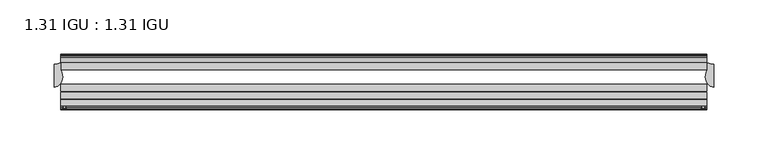
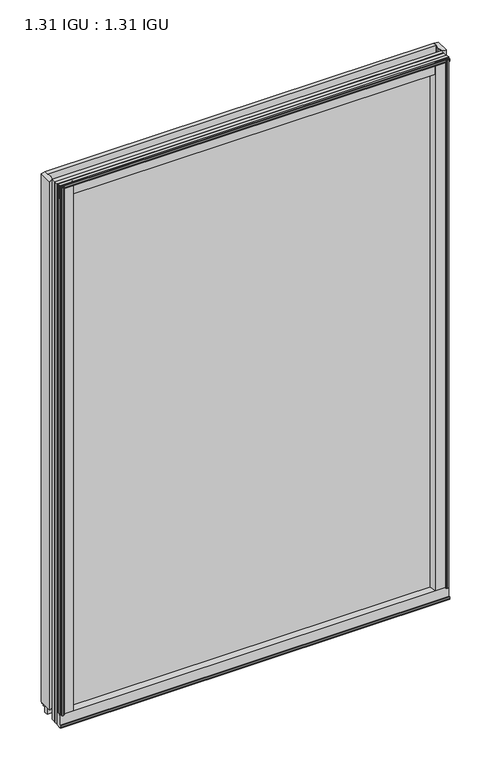
"""IFC4 building model written with IfcOpenShell, lengths in millimetres: plate geometry, 1.31 IGU : 1.31 IGU."""

from ifc_helpers import new_model, si_unit, point, frame, frame_2d, origin, origin_with_axes, place, context, project, spatial, polyline, circle_curve, ellipse_curve, trimmed, segment, composite_curve, outline, extrude, source, transform, mapped, element, save
from ifc_brep_helpers import plane_surface, cylinder_surface, revolved_surface, extruded_surface, advanced_brep


def plate_1_31_igu_1_31_igu_e0ad85ca(model_context):
    return source(origin(), model_context, "Body", "SolidModel", [
        extrude(outline(composite_curve([segment(polyline([(293.6995906, -57.6333938), (277.5148437, -57.6333938)]), True, "CONTINUOUS"), segment(trimmed(circle_curve(frame_2d((270.2201146, -57.6547678)), 7.2947605), [point((277.5148437, -57.6333938))], [point((273.7724551, -51.2833938))], True, "CARTESIAN"), True, "CONTINUOUS"), segment(polyline([(273.7724551, -51.2833938), (296.642876, -51.2833938)]), True, "CONTINUOUS"), segment(trimmed(circle_curve(frame_2d((296.642876, -52.0707938)), 0.7874), [point((296.642876, -51.2833938))], [point((297.4244069, -51.9748338))], False, "CARTESIAN"), True, "CONTINUOUS"), segment(polyline([(297.4244069, -51.9748338), (298.1191906, -57.6333938), (296.1887906, -57.6333938), (295.7315906, -59.624458), (296.7329525, -59.3561439), (296.9761906, -60.263921), (294.9441906, -60.8083938), (292.9121906, -60.263921), (293.1554288, -59.3561439), (294.1567906, -59.624458), (293.6995906, -57.6333938)]), True, "CONTINUOUS")], self_intersect=False)), origin_with_axes(), (0.0, 0.0, 1.0), 857.25),
        extrude(outline(composite_curve([segment(polyline([(-277.8125, -57.6333937), (-293.9972469, -57.6333937), (-294.4544469, -59.624458), (-293.453085, -59.3561439), (-293.2098469, -60.263921), (-295.2418469, -60.8083937), (-297.2738469, -60.263921), (-297.0306088, -59.3561439), (-296.0292469, -59.624458), (-296.4864469, -57.6333937), (-298.4168469, -57.6333937), (-297.7220631, -51.9748338)]), True, "CONTINUOUS"), segment(trimmed(circle_curve(frame_2d((-296.9405323, -52.0707937)), 0.7874), [point((-297.7220631, -51.9748338))], [point((-296.9405323, -51.2833937))], False, "CARTESIAN"), True, "CONTINUOUS"), segment(polyline([(-296.9405323, -51.2833937), (-274.0701114, -51.2833937)]), True, "CONTINUOUS"), segment(trimmed(circle_curve(frame_2d((-270.5177708, -57.6547678)), 7.2947605), [point((-274.0701114, -51.2833937))], [point((-277.8125, -57.6333937))], True, "CARTESIAN"), True, "CONTINUOUS")], self_intersect=False)), origin_with_axes(), (0.0, 0.0, 1.0), 857.25),
        extrude(outline(polyline([(-9.7543937, -6.8579998), (-10.4009552, -9.2709998), (-11.2596632, -9.0409097), (-10.8839895, -7.6388763), (-13.1833937, -8.3819998), (-13.1833937, -11.7850089), (-17.9585937, -10.1533914), (-17.9585937, 0.6595133), (-13.1833937, -0.5079998), (-13.1833937, -5.4609998), (-10.8839895, -6.0771233), (-11.2596632, -4.6750899), (-10.4009552, -4.4449998), (-9.7543937, -6.8579998)])), frame((-298.45, 0.0, 0.0), z_axis=(1.0, 0.0, 0.0), x_axis=(0.0, 1.0, 0.0)), (0.0, 0.0, 1.0), 596.6023438),
        extrude(outline(composite_curve([segment(polyline([(-51.9748338, -19.930016), (-57.6333937, -20.6247998), (-57.6333937, -18.6943998), (-59.624458, -18.2371998), (-59.3561439, -19.2385617), (-60.263921, -19.4817998), (-60.8083937, -17.4497998), (-60.263921, -15.4177998), (-59.3561439, -15.6610379), (-59.624458, -16.6623998), (-57.6333937, -16.2051998), (-57.6333937, 0.0127002)]), True, "CONTINUOUS"), segment(trimmed(circle_curve(frame_2d((-58.1588233, 7.9620141)), 7.9666598), [point((-57.6333937, 0.0127002))], [point((-51.2833937, 3.9375717))], True, "CARTESIAN"), True, "CONTINUOUS"), segment(polyline([(-51.2833937, 3.9375717), (-51.2833937, -19.1484852)]), True, "CONTINUOUS"), segment(trimmed(circle_curve(frame_2d((-52.0707937, -19.1484852)), 0.7874), [point((-51.2833937, -19.1484852))], [point((-51.9748338, -19.930016))], False, "CARTESIAN"), True, "CONTINUOUS")], self_intersect=False)), frame((-298.45, 0.0, 0.0), z_axis=(1.0, 0.0, 0.0), x_axis=(0.0, 1.0, 0.0)), (0.0, 0.0, 1.0), 596.6023438),
        extrude(outline(polyline([(-17.9585937, 848.3533914), (-13.1833937, 849.9850089), (-13.1833937, 846.5819998), (-10.8839895, 845.8388763), (-11.2596632, 847.2409097), (-10.4009552, 847.4709998), (-9.7543937, 845.0579998), (-10.4009552, 842.6449998), (-11.2596632, 842.8750899), (-10.8839895, 844.2771233), (-13.1833937, 843.6609998), (-13.1833937, 838.7079998), (-17.9585937, 837.5404867), (-17.9585937, 848.3533914)])), frame((-298.45, 0.0, 0.0), z_axis=(1.0, 0.0, 0.0), x_axis=(0.0, 1.0, 0.0)), (0.0, 0.0, 1.0), 596.6023438),
        extrude(outline(composite_curve([segment(trimmed(circle_curve(frame_2d((-52.0707937, 857.3484852)), 0.7874), [point((-51.9748338, 858.130016))], [point((-51.2833937, 857.3484852))], False, "CARTESIAN"), True, "CONTINUOUS"), segment(polyline([(-51.2833937, 857.3484852), (-51.2833937, 834.2624283)]), True, "CONTINUOUS"), segment(trimmed(circle_curve(frame_2d((-58.1588233, 830.2379859)), 7.9666598), [point((-51.2833937, 834.2624283))], [point((-57.6333937, 838.1872998))], True, "CARTESIAN"), True, "CONTINUOUS"), segment(polyline([(-57.6333937, 838.1872998), (-57.6333937, 854.4051998), (-59.624458, 854.8623998), (-59.3561439, 853.8610379), (-60.263921, 853.6177998), (-60.8083937, 855.6497998), (-60.263921, 857.6817998), (-59.3561439, 857.4385617), (-59.624458, 856.4371998), (-57.6333937, 856.8943998), (-57.6333937, 858.8247998), (-51.9748338, 858.130016)]), True, "CONTINUOUS")], self_intersect=False)), frame((-298.45, 0.0, 0.0), z_axis=(1.0, 0.0, 0.0), x_axis=(0.0, 1.0, 0.0)), (0.0, 0.0, 1.0), 596.6023438),
        advanced_brep(
        [(-298.4372998, -24.3085938, 857.25), (-298.4372998, -17.9585937, 857.25), (-304.7872998, -18.9011397, 857.25), (-304.7872998, -40.2563586, 857.25), (-296.9784173, -31.0522937, 857.25), (-298.4372998, -24.3085938, 0.0), (-296.9784173, -31.0522937, 0.0), (-304.7872998, -40.2563586, 0.0), (-304.7872998, -18.9011397, 0.0), (-298.4372998, -17.9585937, 0.0)],
        [
            (0, 1),
            (1, 2, circle_curve(frame((-304.7872998, 2.9603377, 857.25), z_axis=(0.0, 0.0, -1.0), x_axis=(0.0, 1.0, 0.0)), 21.8614773)),
            (2, 3),
            (3, 4, ellipse_curve(frame((-304.7872998, -31.0522937, 857.25), z_axis=(0.0, 0.0, 1.0), x_axis=(0.0, -1.0, 0.0)), 9.2040648, 7.8088825)),
            (4, 0, circle_curve(frame((-313.2942711, -31.0522937, 857.25), z_axis=(0.0, 0.0, 1.0), x_axis=(0.0, 1.0, 0.0)), 16.3158538)),
            (5, 6, circle_curve(frame((-313.2942711, -31.0522937, 0.0), z_axis=(0.0, 0.0, -1.0), x_axis=(0.0, 1.0, 0.0)), 16.3158538)),
            (6, 7, ellipse_curve(frame((-304.7872998, -31.0522937, 0.0), z_axis=(0.0, 0.0, -1.0), x_axis=(0.0, -1.0, 0.0)), 9.2040648, 7.8088825)),
            (7, 8),
            (8, 9, circle_curve(frame((-304.7872998, 2.9603377, 0.0), z_axis=(0.0, 0.0, 1.0), x_axis=(0.0, 1.0, 0.0)), 21.8614773)),
            (9, 5),
            (0, 5),
            (9, 1),
            (8, 2),
            (7, 3),
            (6, 4),
        ],
        [
            plane_surface(frame((-273.05, -11.6085937, 857.25), z_axis=(0.0, 0.0, 1.0), x_axis=(0.0, 1.0, 0.0))),
            plane_surface(frame((-273.05, -11.6085937, 0.0), z_axis=(0.0, 0.0, -1.0), x_axis=(0.0, 1.0, 0.0))),
            plane_surface(frame((-298.4372998, -24.3085938, 857.25), z_axis=(1.0, 0.0, 0.0), x_axis=(0.0, 0.0, -1.0))),
            revolved_surface(polyline([(-304.7872998, 24.821815, 0.0), (-304.7872998, 24.821815, 857.25)]), (-304.7872998, 2.9603377, 857.25), (0.0, 0.0, -1.0)),
            plane_surface(frame((-304.7872998, -18.9011397, 857.25), z_axis=(-1.0, 0.0, 0.0), x_axis=(0.0, 0.0, -1.0))),
            extruded_surface(trimmed(ellipse_curve(frame((-304.7872998, -31.0522937, 0.0), z_axis=(0.0, 0.0, 1.0), x_axis=(0.0, -1.0, 0.0)), 9.2040648, 7.8088825), [point((-304.7872998, -40.2563586, 0.0))], [point((-296.9784173, -31.0522937, 0.0))], True, "CARTESIAN"), (0.0, 0.0, 857.25), 857.25),
            cylinder_surface(frame((-313.2942711, -31.0522937, 857.25), z_axis=(0.0, 0.0, 1.0), x_axis=(0.0, 1.0, 0.0)), 16.3158538),
        ],
        [
            (0, [[1, 2, 3, 4, 5]]),
            (1, [[6, 7, 8, 9, 10]]),
            (2, [[-1, 11, -10, 12]]),
            (3, [[-2, -12, -9, 13]]),
            (4, [[-3, -13, -8, 14]]),
            (5, [[-4, -14, -7, 15]]),
            (6, [[-5, -15, -6, -11]]),
        ],
    ),
        advanced_brep(
        [(304.8, -18.9011397, 857.25), (298.45, -17.9585938, 857.25), (298.45, -24.3085938, 857.25), (296.9911175, -31.0522938, 857.25), (304.8, -40.2563586, 857.25), (304.8, -18.9011397, 0.0), (304.8, -40.2563586, 0.0), (296.9911175, -31.0522938, 0.0), (298.45, -24.3085938, 0.0), (298.45, -17.9585938, 0.0)],
        [
            (0, 1, circle_curve(frame((304.8, 2.9603377, 857.25), z_axis=(0.0, 0.0, -1.0), x_axis=(0.0, 1.0, 0.0)), 21.8614773)),
            (1, 2),
            (2, 3, circle_curve(frame((313.3069713, -31.0522938, 857.25), z_axis=(0.0, 0.0, 1.0), x_axis=(0.0, 1.0, 0.0)), 16.3158538)),
            (3, 4, ellipse_curve(frame((304.8, -31.0522938, 857.25), z_axis=(0.0, 0.0, 1.0), x_axis=(0.0, -1.0, 0.0)), 9.2040648, 7.8088825)),
            (4, 0),
            (5, 6),
            (6, 7, ellipse_curve(frame((304.8, -31.0522938, 0.0), z_axis=(0.0, 0.0, -1.0), x_axis=(0.0, -1.0, 0.0)), 9.2040648, 7.8088825)),
            (7, 8, circle_curve(frame((313.3069713, -31.0522938, 0.0), z_axis=(0.0, 0.0, -1.0), x_axis=(0.0, 1.0, 0.0)), 16.3158538)),
            (8, 9),
            (9, 5, circle_curve(frame((304.8, 2.9603377, 0.0), z_axis=(0.0, 0.0, 1.0), x_axis=(0.0, 1.0, 0.0)), 21.8614773)),
            (0, 5),
            (9, 1),
            (8, 2),
            (7, 3),
            (6, 4),
        ],
        [
            plane_surface(frame((273.05, -11.6085938, 857.25), z_axis=(0.0, 0.0, 1.0), x_axis=(0.0, 1.0, 0.0))),
            plane_surface(frame((273.05, -11.6085938, 0.0), z_axis=(0.0, 0.0, -1.0), x_axis=(0.0, 1.0, 0.0))),
            revolved_surface(polyline([(304.8, 24.821815, 0.0), (304.8, 24.821815, 857.25)]), (304.8, 2.9603377, 857.25), (0.0, 0.0, -1.0)),
            plane_surface(frame((298.45, -17.9585938, 857.25), z_axis=(-1.0, 0.0, 0.0), x_axis=(0.0, 0.0, -1.0))),
            cylinder_surface(frame((313.3069713, -31.0522938, 857.25), z_axis=(0.0, 0.0, 1.0), x_axis=(0.0, 1.0, 0.0)), 16.3158538),
            extruded_surface(trimmed(ellipse_curve(frame((304.8, -31.0522938, 0.0), z_axis=(0.0, 0.0, 1.0), x_axis=(0.0, -1.0, 0.0)), 9.2040648, 7.8088825), [point((296.9911175, -31.0522938, 0.0))], [point((304.8, -40.2563586, 0.0))], True, "CARTESIAN"), (0.0, 0.0, 857.25), 857.25),
            plane_surface(frame((304.8, -40.2563586, 857.25), z_axis=(1.0, 0.0, 0.0), x_axis=(0.0, 0.0, -1.0))),
        ],
        [
            (0, [[1, 2, 3, 4, 5]]),
            (1, [[6, 7, 8, 9, 10]]),
            (2, [[-1, 11, -10, 12]]),
            (3, [[-2, -12, -9, 13]]),
            (4, [[-3, -13, -8, 14]]),
            (5, [[-4, -14, -7, 15]]),
            (6, [[-5, -15, -6, -11]]),
        ],
    ),
        extrude(outline(polyline([(298.1523437, -17.9585937), (298.1523437, -24.3085937), (-298.45, -24.3085937), (-298.45, -17.9585937), (298.1523437, -17.9585937)])), frame((0.0, 0.0, -19.0372998), z_axis=(0.0, 0.0, 1.0), x_axis=(1.0, 0.0, 0.0)), (0.0, 0.0, 1.0), 876.2872998),
        extrude(outline(polyline([(-298.45, -44.1459937), (-298.45, -37.7959937), (298.1523437, -37.7959937), (298.1523437, -44.1459937), (-298.45, -44.1459937)])), frame((0.0, 0.0, -19.0372998), z_axis=(0.0, 0.0, 1.0), x_axis=(1.0, 0.0, 0.0)), (0.0, 0.0, 1.0), 876.2872998),
        extrude(outline(polyline([(-298.45, -51.2833937), (-298.45, -44.9333937), (298.1523437, -44.9333937), (298.1523437, -51.2833937), (-298.45, -51.2833937)])), frame((0.0, 0.0, -19.0372998), z_axis=(0.0, 0.0, 1.0), x_axis=(1.0, 0.0, 0.0)), (0.0, 0.0, 1.0), 876.2872998),
    ])


if __name__ == "__main__":
    model = new_model("IFC4")
    model_context = context("Model", 3, world=origin())
    ifc_project = project(units=[si_unit("LENGTHUNIT", "METRE", prefix="MILLI")], contexts=[model_context])
    site = spatial("IfcSite", under=ifc_project)
    building = spatial("IfcBuilding", under=site)
    placement = place(None, origin())
    plate_1_31_igu_1_31_igu_shape = plate_1_31_igu_1_31_igu_e0ad85ca(model_context)
    element("IfcPlate", 1, ObjectType="1.31 IGU : 1.31 IGU", at=placement, inside=building, context=model_context, shape_type="MappedRepresentation", body=[
        mapped(plate_1_31_igu_1_31_igu_shape, transform((0.0, 0.0, 0.0), x_axis=(1.0, 0.0, 0.0), y_axis=(0.0, 1.0, 0.0), z_axis=(0.0, 0.0, 1.0))),
    ])
    save(model, "model.ifc")
